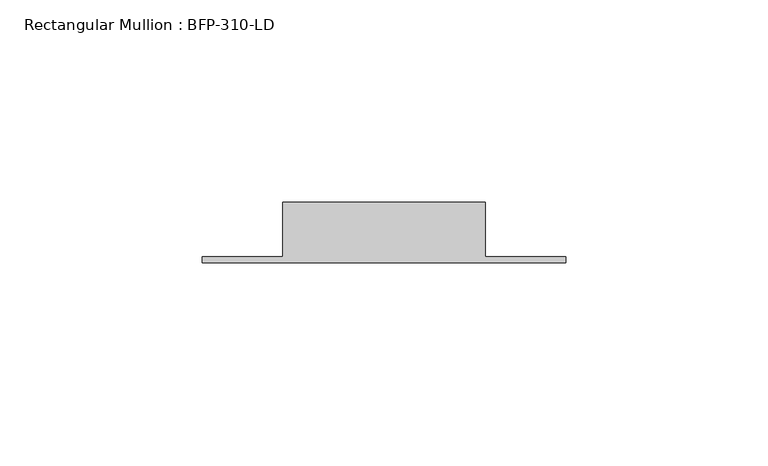
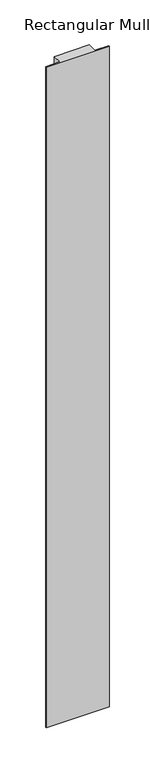
"""IFC4 building model written with IfcOpenShell, lengths in millimetres: member geometry, Rectangular Mullion : BFP-310-LD."""

from ifc_helpers import new_model, si_unit, frame, origin, place, context, project, spatial, polyline, outline, extrude, source, transform, mapped, element, save


def rectangular_mullion_bfp_310_ld_58ddb1fc(model_context):
    return source(origin(), model_context, "Body", "SweptSolid", [
        extrude(outline(polyline([(-20.0, 17.0), (-20.0, 3.5), (0.0, 3.5), (0.0, 2.0), (-90.0, 2.0), (-90.0, 3.5), (-70.0, 3.5), (-70.0, 17.0), (-20.0, 17.0)])), frame((0.0, 0.0, -1000.0), z_axis=(0.0, 0.0, 1.0), x_axis=(1.0, 0.0, 0.0)), (0.0, 0.0, 1.0), 1000.0),
    ])


if __name__ == "__main__":
    model = new_model("IFC4")
    model_context = context("Model", 3, world=origin())
    ifc_project = project(units=[si_unit("LENGTHUNIT", "METRE", prefix="MILLI")], contexts=[model_context])
    site = spatial("IfcSite", under=ifc_project)
    building = spatial("IfcBuilding", under=site)
    placement = place(None, origin())
    rectangular_mullion_bfp_310_ld_shape = rectangular_mullion_bfp_310_ld_58ddb1fc(model_context)
    element("IfcMember", 1, ObjectType="Rectangular Mullion : BFP-310-LD", at=placement, inside=building, context=model_context, shape_type="MappedRepresentation", body=[
        mapped(rectangular_mullion_bfp_310_ld_shape, transform((0.0, 0.0, 0.0), x_axis=(1.0, 0.0, 0.0), y_axis=(0.0, 1.0, 0.0), z_axis=(0.0, 0.0, 1.0))),
    ])
    save(model, "model.ifc")
